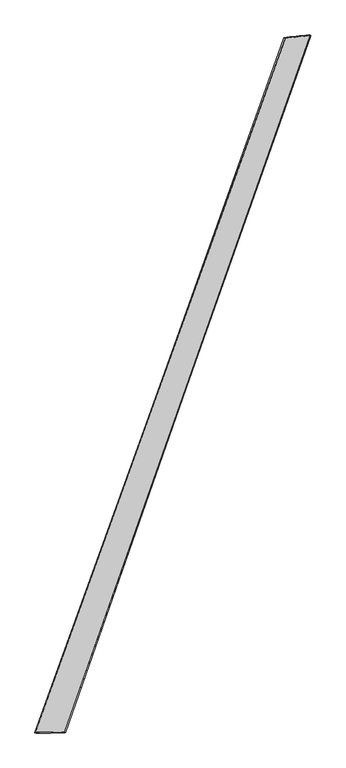
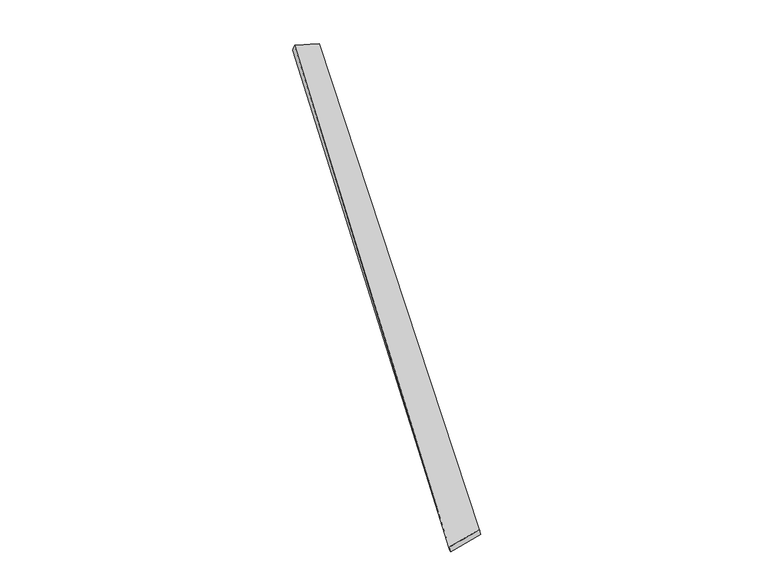
"""IFC4 building model written with IfcOpenShell, lengths in millimetres: proxy geometry."""

from ifc_helpers import new_model, si_unit, origin, place, context, project, spatial, source, transform, mapped, element, save
from ifc_brep_helpers import spline_surface, advanced_brep


def generic_models_3156ad77(model_context):
    return source(origin(), model_context, "Body", "AdvancedBrep", [
        advanced_brep(
        [(-740.2675685, -1875.3445068, -21.1719827), (-748.8459248, -1872.6124529, 7.4452793), (737.5817108, 2241.997488, 54.1878138), (728.6833944, 2245.493261, 25.7519291), (-570.782896, -1868.820073, 50.4858671), (888.1835819, 2257.2855594, 1.8311152), (-565.2042136, -1871.0995846, 21.0973978), (876.7883876, 2260.9508304, -25.6773442)],
        [
            (0, 1),
            (1, 2),
            (2, 3),
            (3, 0),
            (1, 4),
            (4, 5),
            (5, 2),
            (4, 6),
            (6, 7),
            (7, 5),
            (6, 0),
            (3, 7),
        ],
        [
            spline_surface(1, 1, [[(-740.2675685, -1875.3445068, -21.1719827), (728.6833944, 2245.493261, 25.7519291)], [(-748.8459248, -1872.6124529, 7.4452793), (737.5817108, 2241.997488, 54.1878138)]], [2, 2], [2, 2], [0.0, 1.0], [0.0, 1.0]),
            spline_surface(1, 1, [[(-748.8459248, -1872.6124529, 7.4452793), (737.5817108, 2241.997488, 54.1878138)], [(-570.782896, -1868.820073, 50.4858671), (888.1835819, 2257.2855594, 1.8311152)]], [2, 2], [2, 2], [0.0, 1.0], [0.0, 1.0]),
            spline_surface(1, 1, [[(-570.782896, -1868.820073, 50.4858671), (888.1835819, 2257.2855594, 1.8311152)], [(-565.2042136, -1871.0995846, 21.0973978), (876.7883876, 2260.9508304, -25.6773442)]], [2, 2], [2, 2], [0.0, 1.0], [0.0, 1.0]),
            spline_surface(1, 1, [[(-565.2042136, -1871.0995846, 21.0973978), (876.7883876, 2260.9508304, -25.6773442)], [(-740.2675685, -1875.3445068, -21.1719827), (728.6833944, 2245.493261, 25.7519291)]], [2, 2], [2, 2], [0.0, 1.0], [0.0, 1.0]),
            spline_surface(1, 1, [[(737.5817108, 2241.997488, 54.1878138), (728.6833944, 2245.493261, 25.7519291)], [(888.1835819, 2257.2855594, 1.8311152), (876.7883876, 2260.9508304, -25.6773442)]], [2, 2], [2, 2], [0.0, 1.0], [0.0, 1.0]),
            spline_surface(1, 1, [[(-565.2042136, -1871.0995846, 21.0973978), (-740.2675685, -1875.3445068, -21.1719827)], [(-570.782896, -1868.820073, 50.4858671), (-748.8459248, -1872.6124529, 7.4452793)]], [2, 2], [2, 2], [0.0, 1.0], [0.0, 1.0]),
        ],
        [
            (0, [[1, 2, 3, 4]]),
            (1, [[5, 6, 7, -2]]),
            (2, [[8, 9, 10, -6]]),
            (3, [[11, -4, 12, -9]]),
            (4, [[-3, -7, -10, -12]]),
            (5, [[-11, -8, -5, -1]]),
        ],
    ),
    ])


if __name__ == "__main__":
    model = new_model("IFC4")
    model_context = context("Model", 3, world=origin())
    ifc_project = project(units=[si_unit("LENGTHUNIT", "METRE", prefix="MILLI")], contexts=[model_context])
    site = spatial("IfcSite", under=ifc_project)
    building = spatial("IfcBuilding", under=site)
    placement = place(None, origin())
    generic_models_shape = generic_models_3156ad77(model_context)
    element("IfcBuildingElementProxy", 1, Name="Generic Models", at=placement, inside=building, context=model_context, shape_type="MappedRepresentation", body=[
        mapped(generic_models_shape, transform((0.0, 0.0, 0.0), x_axis=(1.0, 0.0, 0.0), y_axis=(0.0, 1.0, 0.0), z_axis=(0.0, 0.0, 1.0))),
    ])
    save(model, "model.ifc")
